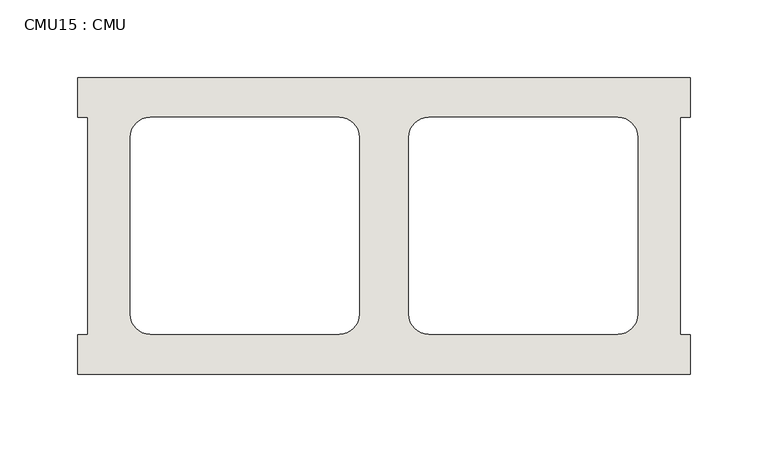
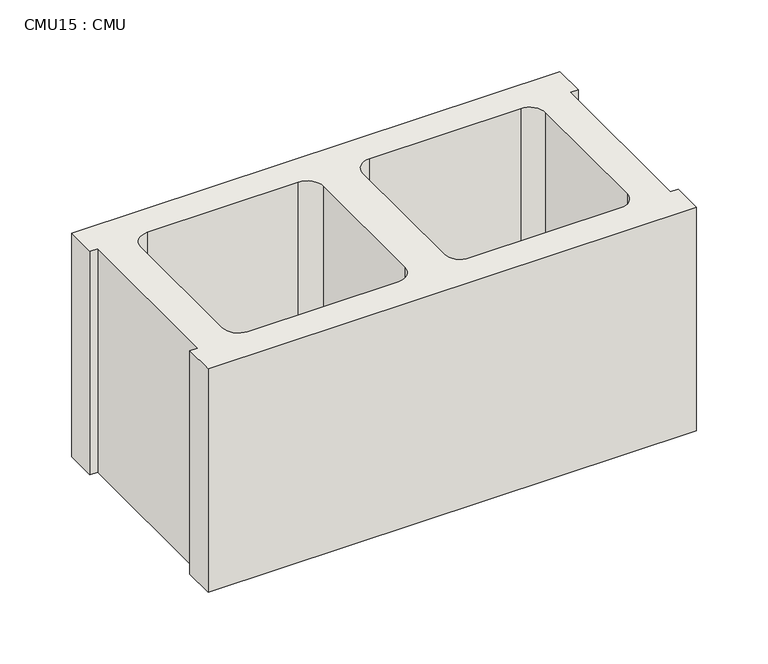
"""IFC4 building model written with IfcOpenShell, lengths in millimetres: wall geometry, CMU15 : CMU."""

import ifcopenshell
import ifcopenshell.guid

model = None  # the IFC model being written
_history = None  # IfcOwnerHistory: only IFC2X3 demands one
_inside = {}  # id of a spatial element -> (the spatial element, [elements in it])
_under = {}  # id of a project, library or spatial element -> (it, [spatial elements below it])
_declared = {}  # id of a project -> (the project, [libraries it declares])
_typed = {}  # id of a type object -> (the type object, [elements of that type])
_made_of = {}  # id of a material, layer set ... -> (it, [elements and type objects made of it])


def new_model(schema):
    """Start an empty IFC model of exactly this schema.

    Asked for "IFC4X3", IfcOpenShell would pick the latest addendum, in which some entities
    have other attributes; the version numbers below select the first issue.
    IFC2X3 requires an IfcOwnerHistory on every rooted entity: one is made here for all.
    """
    global model, _history
    if schema == "IFC4X3":
        model = ifcopenshell.file(schema_version=(4, 3, 0, 0))
    else:
        model = ifcopenshell.file(schema=schema)
    _inside.clear()
    _under.clear()
    _declared.clear()
    _typed.clear()
    _made_of.clear()
    _history = None
    if model.schema == "IFC2X3":
        org = make("IfcOrganization", Name="unknown")
        user = make(
            "IfcPersonAndOrganization",
            ThePerson=make("IfcPerson", FamilyName="unknown"),
            TheOrganization=org,
        )
        app = make(
            "IfcApplication",
            ApplicationDeveloper=org,
            Version="unknown",
            ApplicationFullName="unknown",
            ApplicationIdentifier="unknown",
        )
        _history = make(
            "IfcOwnerHistory",
            OwningUser=user,
            OwningApplication=app,
            ChangeAction="ADDED",
            CreationDate=0,
        )
    return model


def make(cls, **values):
    """One entity of the class cls with the attributes given. An attribute that is None is left unset."""
    return model.create_entity(
        cls, **{name: value for name, value in values.items() if value is not None}
    )


def rooted(cls, **values):
    """An entity with a GlobalId (a new one), such as an element, a storey or a relation."""
    return make(cls, GlobalId=ifcopenshell.guid.new(), OwnerHistory=_history, **values)


def si_unit(unit_type, name, prefix=None):
    """IfcSIUnit, for example si_unit("LENGTHUNIT", "METRE", prefix="MILLI")."""
    return make("IfcSIUnit", UnitType=unit_type, Prefix=prefix, Name=name)


def assignment(units):
    """IfcUnitAssignment: the units of a project."""
    return None if units is None else make("IfcUnitAssignment", Units=units)


def point(xyz):
    """IfcCartesianPoint."""
    return None if xyz is None else make("IfcCartesianPoint", Coordinates=xyz)


def direction(xyz):
    """IfcDirection."""
    return None if xyz is None else make("IfcDirection", DirectionRatios=xyz)


def frame(location, z_axis=None, x_axis=None):
    """IfcAxis2Placement3D, a coordinate frame: its origin and axes. An axis left out is left unset."""
    return make(
        "IfcAxis2Placement3D",
        Location=point(location),
        Axis=direction(z_axis),
        RefDirection=direction(x_axis),
    )


def frame_2d(location, x_axis=None):
    """IfcAxis2Placement2D, a coordinate frame in the plane: its origin and x axis."""
    return make(
        "IfcAxis2Placement2D", Location=point(location), RefDirection=direction(x_axis)
    )


def origin():
    """The frame at (0, 0, 0) with its axes left unset."""
    return frame((0.0, 0.0, 0.0))


def place(relative_to, where):
    """IfcLocalPlacement: puts the frame where relative to a parent placement (None: the world)."""
    return make(
        "IfcLocalPlacement", PlacementRelTo=relative_to, RelativePlacement=where
    )


def context(
    kind, dimensions, precision=None, world=None, true_north=None, identifier=None
):
    """IfcGeometricRepresentationContext, for example the 3D "Model" context."""
    return make(
        "IfcGeometricRepresentationContext",
        ContextIdentifier=identifier,
        ContextType=kind,
        CoordinateSpaceDimension=dimensions,
        Precision=precision,
        WorldCoordinateSystem=world,
        TrueNorth=true_north,
    )


def project(units=None, contexts=None):
    """IfcProject with its units and contexts."""
    return rooted(
        "IfcProject",
        Name="project",
        RepresentationContexts=contexts,
        UnitsInContext=assignment(units),
    )


def spatial(cls, under=None, at=None, **own):
    """A site, building, storey or space (cls), placed at a placement, below another one or the project."""
    s = rooted(cls, ObjectPlacement=at, **own)
    if under is not None:
        _under.setdefault(under.id(), (under, []))[1].append(s)
    return s


def polyline(points):
    """IfcPolyline through the points."""
    return make("IfcPolyline", Points=[point(p) for p in points])


def circle_curve(where, radius):
    """IfcCircle in the frame where."""
    return make("IfcCircle", Position=where, Radius=radius)


def trimmed(basis, trim1, trim2, sense, master):
    """IfcTrimmedCurve: the piece of a basis curve between two trims."""
    return make(
        "IfcTrimmedCurve",
        BasisCurve=basis,
        Trim1=trim1,
        Trim2=trim2,
        SenseAgreement=sense,
        MasterRepresentation=master,
    )


def segment(curve, same_sense, transition):
    """IfcCompositeCurveSegment."""
    return make(
        "IfcCompositeCurveSegment",
        Transition=transition,
        SameSense=same_sense,
        ParentCurve=curve,
    )


def composite_curve(segments, self_intersect=None):
    """IfcCompositeCurve: segments joined end to end."""
    return make("IfcCompositeCurve", Segments=segments, SelfIntersect=self_intersect)


def outline(outer, holes=None, kind="AREA"):
    """IfcArbitraryClosedProfileDef: a profile drawn as a closed curve; with holes, ...WithVoids."""
    if holes is None:
        return make("IfcArbitraryClosedProfileDef", ProfileType=kind, OuterCurve=outer)
    return make(
        "IfcArbitraryProfileDefWithVoids",
        ProfileType=kind,
        OuterCurve=outer,
        InnerCurves=holes,
    )


def extrude(swept, where, along, depth):
    """IfcExtrudedAreaSolid: the profile swept, set in the frame where, extruded along a direction by depth."""
    return make(
        "IfcExtrudedAreaSolid",
        SweptArea=swept,
        Position=where,
        ExtrudedDirection=direction(along),
        Depth=depth,
    )


def shape(context_of_items, identifier, shape_type, items):
    """IfcShapeRepresentation: the items that make up one representation, for example the "Body"."""
    return make(
        "IfcShapeRepresentation",
        ContextOfItems=context_of_items,
        RepresentationIdentifier=identifier,
        RepresentationType=shape_type,
        Items=items,
    )


def source(mapping_origin, context_of_items, identifier, shape_type, items):
    """IfcRepresentationMap: a shape defined once, which mapped items show again and again."""
    return make(
        "IfcRepresentationMap",
        MappingOrigin=mapping_origin,
        MappedRepresentation=shape(context_of_items, identifier, shape_type, items),
    )


def transform(
    local_origin,
    x_axis=None,
    y_axis=None,
    z_axis=None,
    scale=None,
    scale2=None,
    scale3=None,
    uniform=True,
):
    """IfcCartesianTransformationOperator3D, or its non-uniform kind. x_axis, y_axis, z_axis: its Axis1, 2, 3."""
    if uniform:
        return make(
            "IfcCartesianTransformationOperator3D",
            Axis1=direction(x_axis),
            Axis2=direction(y_axis),
            LocalOrigin=point(local_origin),
            Scale=scale,
            Axis3=direction(z_axis),
        )
    return make(
        "IfcCartesianTransformationOperator3DnonUniform",
        Axis1=direction(x_axis),
        Axis2=direction(y_axis),
        LocalOrigin=point(local_origin),
        Scale=scale,
        Axis3=direction(z_axis),
        Scale2=scale2,
        Scale3=scale3,
    )


def mapped(mapping_source, mapping_target):
    """IfcMappedItem: shows the shape of a source again, moved by a transform."""
    return make(
        "IfcMappedItem", MappingSource=mapping_source, MappingTarget=mapping_target
    )


def made_of(thing, what):
    """Note that an element or type object is made of a material, layer set ...; save() writes the relation."""
    if what is not None:
        _made_of.setdefault(what.id(), (what, []))[1].append(thing)
    return thing


def element(
    cls,
    number,
    at=None,
    inside=None,
    cuts=None,
    type_object=None,
    material=None,
    context=None,
    identifier="Body",
    shape_type=None,
    held_by="IfcProductDefinitionShape",
    body=None,
    shapes=None,
    **own,
):
    """One element of the class cls, such as IfcWall. Its Tag is "e" and its number.

    at: its placement. inside: the storey or other place that contains it. cuts: it is an
    opening in that element (IfcRelVoidsElement). A single representation is given by context,
    identifier, shape_type and body (its items); several are given by shapes. held_by: the class
    of the entity that holds the representations. save() writes the other relations.
    """
    e = rooted(cls, Tag="e%d" % number, ObjectPlacement=at, **own)
    if body is not None:
        shapes = [shape(context, identifier, shape_type, body)]
    if shapes is not None:
        e.Representation = make(held_by, Representations=shapes)
    if inside is not None:
        _inside.setdefault(inside.id(), (inside, []))[1].append(e)
    if cuts is not None:
        rooted(
            "IfcRelVoidsElement", RelatingBuildingElement=cuts, RelatedOpeningElement=e
        )
    if type_object is not None:
        _typed.setdefault(type_object.id(), (type_object, []))[1].append(e)
    return made_of(e, material)


def aggregate(whole, parts):
    """IfcRelAggregates: a whole, such as a stair, and the parts it consists of."""
    return rooted("IfcRelAggregates", RelatingObject=whole, RelatedObjects=parts)


def save(model, path):
    """Write the relations noted so far, then the file.

    IfcRelAggregates (storeys below a building ...), IfcRelContainedInSpatialStructure (elements
    in a storey), IfcRelDefinesByType, IfcRelAssociatesMaterial and IfcRelDeclares: one each for
    every whole, place, type object, material and project.
    """
    for whole, parts in _under.values():
        aggregate(whole, parts)
    for where, things in _inside.values():
        rooted(
            "IfcRelContainedInSpatialStructure",
            RelatedElements=things,
            RelatingStructure=where,
        )
    for kind, things in _typed.values():
        rooted("IfcRelDefinesByType", RelatedObjects=things, RelatingType=kind)
    for what, things in _made_of.values():
        rooted("IfcRelAssociatesMaterial", RelatedObjects=things, RelatingMaterial=what)
    for by, libraries in _declared.values():
        rooted("IfcRelDeclares", RelatingContext=by, RelatedDefinitions=libraries)
    model.write(path)


def cmu15_cmu_7238ba66(model_context):
    return source(origin(), model_context, "Body", "SweptSolid", [
        extrude(outline(polyline([(-1832.4785982, 3347.4652891), (-1438.7785982, 3347.4652891), (-1438.7785982, 3322.0652891), (-1445.1285982, 3322.0652891), (-1445.1285982, 3182.3652891), (-1438.7785982, 3182.3652891), (-1438.7785982, 3156.9652891), (-1832.4785982, 3156.9652891), (-1832.4785982, 3182.3652891), (-1826.1285982, 3182.3652891), (-1826.1285982, 3322.0652891), (-1832.4785982, 3322.0652891), (-1832.4785982, 3347.4652891)]), holes=[composite_curve([segment(polyline([(-1664.3105995, 3322.0652891), (-1786.0272496, 3322.0652891)]), True, "CONTINUOUS"), segment(trimmed(circle_curve(frame_2d((-1786.0272496, 3309.3652891)), 12.7), [point((-1786.0272496, 3322.0652891))], [point((-1798.7272496, 3309.3652891))], True, "CARTESIAN"), True, "CONTINUOUS"), segment(polyline([(-1798.7272496, 3309.3652891), (-1798.7272496, 3195.2994494)]), True, "CONTINUOUS"), segment(trimmed(circle_curve(frame_2d((-1786.0272496, 3195.2994494)), 12.7), [point((-1798.7272496, 3195.2994494))], [point((-1786.0272496, 3182.5994494))], True, "CARTESIAN"), True, "CONTINUOUS"), segment(polyline([(-1786.0272496, 3182.5994494), (-1664.3105995, 3182.5994494)]), True, "CONTINUOUS"), segment(trimmed(circle_curve(frame_2d((-1664.3105995, 3195.2994494)), 12.7), [point((-1664.3105995, 3182.5994494))], [point((-1651.6105995, 3195.2994494))], True, "CARTESIAN"), True, "CONTINUOUS"), segment(polyline([(-1651.6105995, 3195.2994494), (-1651.6105995, 3309.3652891)]), True, "CONTINUOUS"), segment(trimmed(circle_curve(frame_2d((-1664.3105995, 3309.3652891)), 12.7), [point((-1651.6105995, 3309.3652891))], [point((-1664.3105995, 3322.0652891))], True, "CARTESIAN"), True, "CONTINUOUS")], self_intersect=False), composite_curve([segment(trimmed(circle_curve(frame_2d((-1606.9465969, 3309.3652891)), 12.7), [point((-1606.9465969, 3322.0652891))], [point((-1619.6465969, 3309.3652891))], True, "CARTESIAN"), True, "CONTINUOUS"), segment(polyline([(-1619.6465969, 3309.3652891), (-1619.6465969, 3195.2994494)]), True, "CONTINUOUS"), segment(trimmed(circle_curve(frame_2d((-1606.9465969, 3195.2994494)), 12.7), [point((-1619.6465969, 3195.2994494))], [point((-1606.9465969, 3182.5994494))], True, "CARTESIAN"), True, "CONTINUOUS"), segment(polyline([(-1606.9465969, 3182.5994494), (-1485.2299468, 3182.5994494)]), True, "CONTINUOUS"), segment(trimmed(circle_curve(frame_2d((-1485.2299468, 3195.2994494)), 12.7), [point((-1485.2299468, 3182.5994494))], [point((-1472.5299468, 3195.2994494))], True, "CARTESIAN"), True, "CONTINUOUS"), segment(polyline([(-1472.5299468, 3195.2994494), (-1472.5299468, 3309.3652891)]), True, "CONTINUOUS"), segment(trimmed(circle_curve(frame_2d((-1485.2299468, 3309.3652891)), 12.7), [point((-1472.5299468, 3309.3652891))], [point((-1485.2299468, 3322.0652891))], True, "CARTESIAN"), True, "CONTINUOUS"), segment(polyline([(-1485.2299468, 3322.0652891), (-1606.9465969, 3322.0652891)]), True, "CONTINUOUS")], self_intersect=False)]), frame((0.0, 0.0, 203.2), z_axis=(0.0, 0.0, 1.0), x_axis=(1.0, 0.0, 0.0)), (0.0, 0.0, 1.0), 190.5),
    ])


if __name__ == "__main__":
    model = new_model("IFC4")
    model_context = context("Model", 3, world=origin())
    ifc_project = project(units=[si_unit("LENGTHUNIT", "METRE", prefix="MILLI")], contexts=[model_context])
    site = spatial("IfcSite", under=ifc_project)
    building = spatial("IfcBuilding", under=site)
    placement = place(None, origin())
    cmu15_cmu_shape = cmu15_cmu_7238ba66(model_context)
    element("IfcWall", 1, ObjectType="CMU15 : CMU", at=placement, inside=building, context=model_context, shape_type="MappedRepresentation", body=[
        mapped(cmu15_cmu_shape, transform((0.0, 0.0, 0.0), x_axis=(1.0, 0.0, 0.0), y_axis=(0.0, 1.0, 0.0), z_axis=(0.0, 0.0, 1.0))),
    ])
    save(model, "model.ifc")
